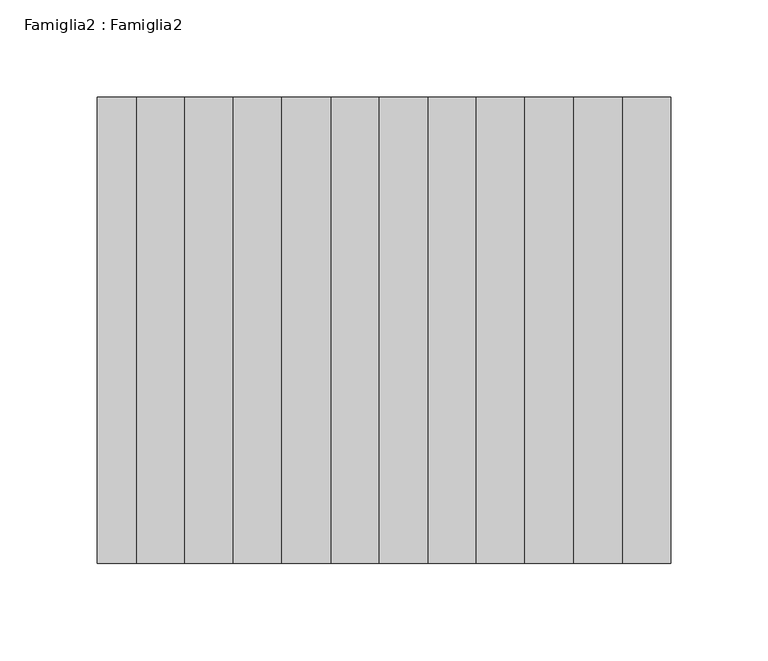
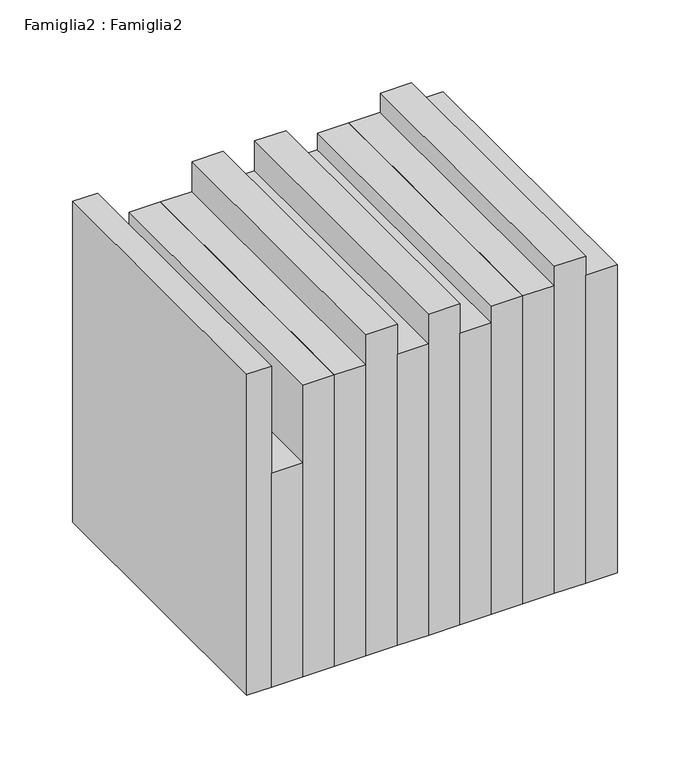
"""IFC4 building model written with IfcOpenShell, lengths in millimetres: proxy geometry, Famiglia2 : Famiglia2."""

from ifc_helpers import new_model, si_unit, origin, origin_with_axes, place, context, project, spatial, polyline, outline, extrude, source, transform, mapped, element, save


def famiglia2_famiglia2_c05ba29f(model_context):
    return source(origin(), model_context, "Body", "SweptSolid", [
        extrude(outline(polyline([(192.0182061, -240.0), (167.0182061, -240.0), (167.0182061, 0.0), (192.0182061, 0.0), (192.0182061, -240.0)])), origin_with_axes(), (0.0, 0.0, 1.0), 258.9336884),
        extrude(outline(polyline([(167.0182061, -240.0), (142.0182061, -240.0), (142.0182061, 0.0), (167.0182061, 0.0), (167.0182061, -240.0)])), origin_with_axes(), (0.0, 0.0, 1.0), 275.0),
        extrude(outline(polyline([(142.0182061, -240.0), (117.0182061, -240.0), (117.0182061, 0.0), (142.0182061, 0.0), (142.0182061, -240.0)])), origin_with_axes(), (0.0, 0.0, 1.0), 258.9336884),
        extrude(outline(polyline([(117.0182061, -240.0), (92.0182061, -240.0), (92.0182061, 0.0), (117.0182061, 0.0), (117.0182061, -240.0)])), origin_with_axes(), (0.0, 0.0, 1.0), 258.9336884),
        extrude(outline(polyline([(92.0182061, -240.0), (67.0182061, -240.0), (67.0182061, 0.0), (92.0182061, 0.0), (92.0182061, -240.0)])), origin_with_axes(), (0.0, 0.0, 1.0), 245.0),
        extrude(outline(polyline([(67.0182061, -240.0), (42.0182061, -240.0), (42.0182061, 0.0), (67.0182061, 0.0), (67.0182061, -240.0)])), origin_with_axes(), (0.0, 0.0, 1.0), 270.0),
        extrude(outline(polyline([(42.0182061, -240.0), (17.0182061, -240.0), (17.0182061, 0.0), (42.0182061, 0.0), (42.0182061, -240.0)])), origin_with_axes(), (0.0, 0.0, 1.0), 245.0),
        extrude(outline(polyline([(17.0182061, -240.0), (-7.9817939, -240.0), (-7.9817939, 0.0), (17.0182061, 0.0), (17.0182061, -240.0)])), origin_with_axes(), (0.0, 0.0, 1.0), 270.0),
        extrude(outline(polyline([(-7.9817939, -240.0), (-32.9817939, -240.0), (-32.9817939, 0.0), (-7.9817939, 0.0), (-7.9817939, -240.0)])), origin_with_axes(), (0.0, 0.0, 1.0), 245.0),
        extrude(outline(polyline([(-32.9817939, -240.0), (-57.9817939, -240.0), (-57.9817939, 0.0), (-32.9817939, 0.0), (-32.9817939, -240.0)])), origin_with_axes(), (0.0, 0.0, 1.0), 245.0),
        extrude(outline(polyline([(-57.9817939, -240.0), (-82.9817939, -240.0), (-82.9817939, 0.0), (-57.9817939, 0.0), (-57.9817939, -240.0)])), origin_with_axes(), (0.0, 0.0, 1.0), 180.0),
        extrude(outline(polyline([(-82.9817939, -240.0), (-102.9817939, -240.0), (-102.9817939, 0.0), (-82.9817939, 0.0), (-82.9817939, -240.0)])), origin_with_axes(), (0.0, 0.0, 1.0), 270.0),
    ])


if __name__ == "__main__":
    model = new_model("IFC4")
    model_context = context("Model", 3, world=origin())
    ifc_project = project(units=[si_unit("LENGTHUNIT", "METRE", prefix="MILLI")], contexts=[model_context])
    site = spatial("IfcSite", under=ifc_project)
    building = spatial("IfcBuilding", under=site)
    placement = place(None, origin())
    famiglia2_famiglia2_shape = famiglia2_famiglia2_c05ba29f(model_context)
    element("IfcBuildingElementProxy", 1, Name="Famiglia2 : Famiglia2", ObjectType="Famiglia2 : Famiglia2", at=placement, inside=building, context=model_context, shape_type="MappedRepresentation", body=[
        mapped(famiglia2_famiglia2_shape, transform((0.0, 0.0, 0.0), x_axis=(1.0, 0.0, 0.0), y_axis=(0.0, 1.0, 0.0), z_axis=(0.0, 0.0, 1.0))),
    ])
    save(model, "model.ifc")
